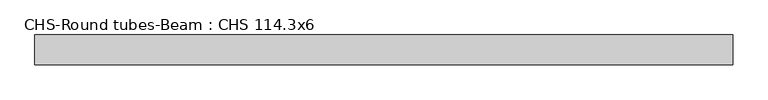
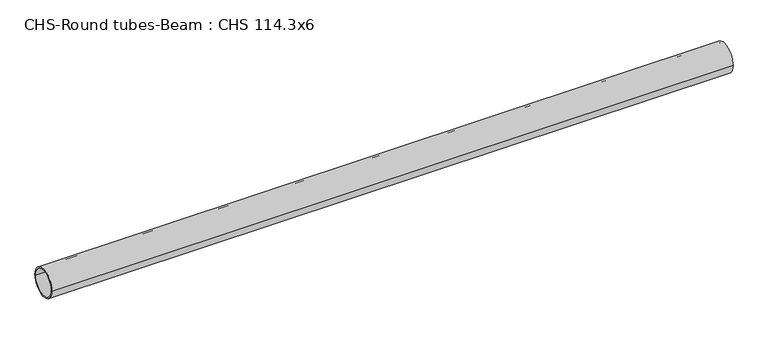
"""IFC4 building model written with IfcOpenShell, lengths in millimetres: beam geometry, CHS-Round tubes-Beam : CHS 114.3x6."""

from ifc_helpers import new_model, si_unit, point, frame, origin, origin_2d, place, context, project, spatial, circle_curve, trimmed, segment, composite_curve, outline, extrude, source, transform, mapped, element, save


def chs_round_tubes_beam_chs_114_3x6_34688068(model_context):
    return source(origin(), model_context, "Body", "SweptSolid", [
        extrude(outline(composite_curve([segment(trimmed(circle_curve(origin_2d(), 57.15), [point((57.15, 0.0))], [point((-57.15, 0.0))], False, "CARTESIAN"), True, "CONTINUOUS"), segment(trimmed(circle_curve(origin_2d(), 57.15), [point((-57.15, 0.0))], [point((57.15, 0.0))], False, "CARTESIAN"), True, "CONTINUOUS")], self_intersect=False), holes=[composite_curve([segment(trimmed(circle_curve(origin_2d(), 51.15), [point((51.15, 0.0))], [point((-51.15, 0.0))], True, "CARTESIAN"), True, "CONTINUOUS"), segment(trimmed(circle_curve(origin_2d(), 51.15), [point((-51.15, 0.0))], [point((51.15, 0.0))], True, "CARTESIAN"), True, "CONTINUOUS")], self_intersect=False)]), frame((-1295.1990009, 0.0, 0.0), z_axis=(1.0, 0.0, 0.0), x_axis=(0.0, 1.0, 0.0)), (0.0, 0.0, 1.0), 2667.2671374),
    ])


if __name__ == "__main__":
    model = new_model("IFC4")
    model_context = context("Model", 3, world=origin())
    ifc_project = project(units=[si_unit("LENGTHUNIT", "METRE", prefix="MILLI")], contexts=[model_context])
    site = spatial("IfcSite", under=ifc_project)
    building = spatial("IfcBuilding", under=site)
    placement = place(None, origin())
    chs_round_tubes_beam_chs_114_3x6_shape = chs_round_tubes_beam_chs_114_3x6_34688068(model_context)
    element("IfcBeam", 1, ObjectType="CHS-Round tubes-Beam : CHS 114.3x6", at=placement, inside=building, context=model_context, shape_type="MappedRepresentation", body=[
        mapped(chs_round_tubes_beam_chs_114_3x6_shape, transform((0.0, 0.0, 0.0), x_axis=(1.0, 0.0, 0.0), y_axis=(0.0, 1.0, 0.0), z_axis=(0.0, 0.0, 1.0))),
    ])
    save(model, "model.ifc")
